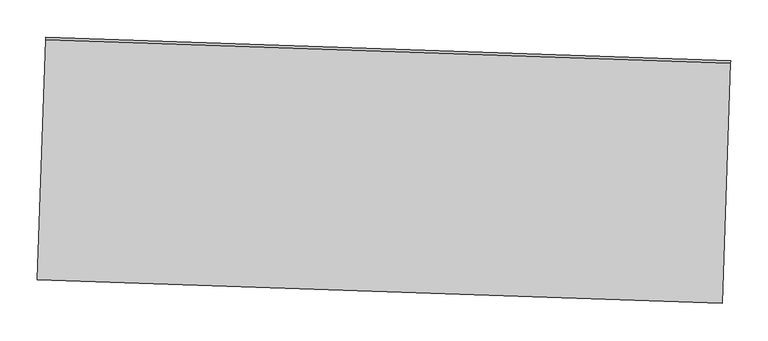
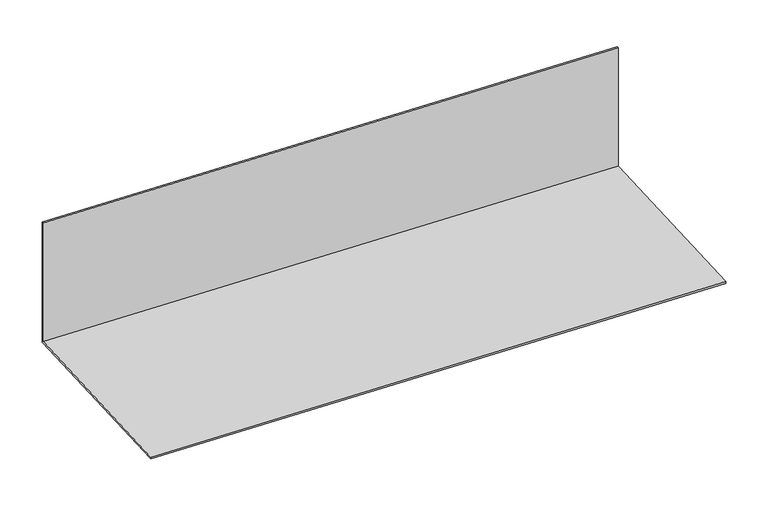
"""IFC4 building model written with IfcOpenShell, lengths in millimetres: proxy geometry."""

from ifc_helpers import new_model, si_unit, frame, origin, place, context, project, spatial, polyline, outline, extrude, source, transform, mapped, element, save


def generic_models_70edc3a6(model_context):
    return source(origin(), model_context, "Body", "SweptSolid", [
        extrude(outline(polyline([(-320.5662482, 0.0), (0.0, 0.0), (0.0, -3.175), (-323.7412481, -3.175), (-323.7412481, 203.2), (-320.5662482, 203.2), (-320.5662482, 0.0)])), frame((34365.5955165, -15148.4646518, 2976.6465502), z_axis=(-0.9994149475907707, 0.034201791358601595, 0.0), x_axis=(-0.034201791358601595, -0.9994149475907707, 0.0)), (0.0, 0.0, 1.0), 914.4),
    ])


if __name__ == "__main__":
    model = new_model("IFC4")
    model_context = context("Model", 3, world=origin())
    ifc_project = project(units=[si_unit("LENGTHUNIT", "METRE", prefix="MILLI")], contexts=[model_context])
    site = spatial("IfcSite", under=ifc_project)
    building = spatial("IfcBuilding", under=site)
    placement = place(None, origin())
    generic_models_shape = generic_models_70edc3a6(model_context)
    element("IfcBuildingElementProxy", 1, Name="Generic Models", at=placement, inside=building, context=model_context, shape_type="MappedRepresentation", body=[
        mapped(generic_models_shape, transform((0.0, 0.0, 0.0), x_axis=(1.0, 0.0, 0.0), y_axis=(0.0, 1.0, 0.0), z_axis=(0.0, 0.0, 1.0))),
    ])
    save(model, "model.ifc")
